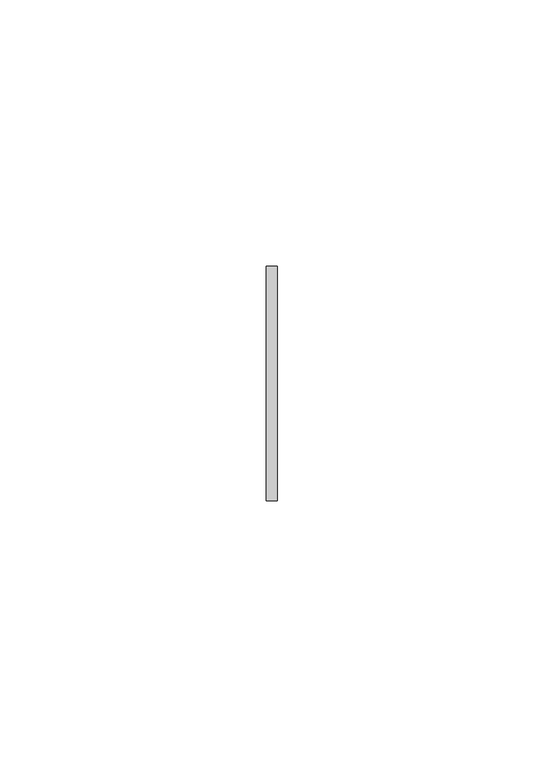
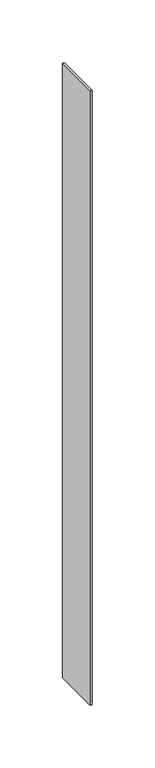
"""IFC4 building model written with IfcOpenShell, lengths in millimetres: member geometry."""

from ifc_helpers import new_model, si_unit, frame, origin, place, context, project, spatial, polyline, outline, extrude, source, transform, mapped, element, save


def member_e8d9998d(model_context):
    return source(origin(), model_context, "Body", "SweptSolid", [
        extrude(outline(polyline([(1.0, 22.0), (1.0, -22.0), (-1.0, -22.0), (-1.0, 22.0), (1.0, 22.0)])), frame((0.0, 0.0, -598.0), z_axis=(0.0, 0.0, 1.0), x_axis=(1.0, 0.0, 0.0)), (0.0, 0.0, 1.0), 598.0),
    ])


if __name__ == "__main__":
    model = new_model("IFC4")
    model_context = context("Model", 3, world=origin())
    ifc_project = project(units=[si_unit("LENGTHUNIT", "METRE", prefix="MILLI")], contexts=[model_context])
    site = spatial("IfcSite", under=ifc_project)
    building = spatial("IfcBuilding", under=site)
    placement = place(None, origin())
    member_shape = member_e8d9998d(model_context)
    element("IfcMember", 1, at=placement, inside=building, context=model_context, shape_type="MappedRepresentation", body=[
        mapped(member_shape, transform((0.0, 0.0, 0.0), x_axis=(1.0, 0.0, 0.0), y_axis=(0.0, 1.0, 0.0), z_axis=(0.0, 0.0, 1.0))),
    ])
    save(model, "model.ifc")
